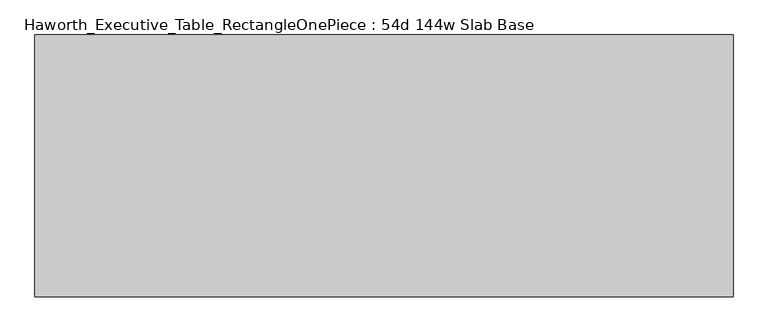
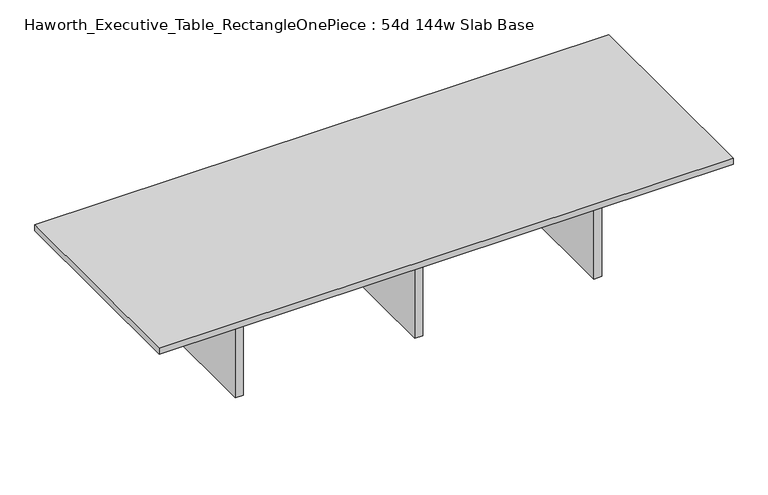
"""IFC4 building model written with IfcOpenShell, lengths in millimetres: furniture geometry, Haworth_Executive_Table_RectangleOnePiece : 54d 144w Slab Base."""

from ifc_helpers import new_model, si_unit, frame, origin, origin_with_axes, place, context, project, spatial, polyline, outline, extrude, source, transform, mapped, element, save


def haworth_executive_table_rectangleonepiece_54d_144w_slab_base_3b5f1c4d(model_context):
    return source(origin(), model_context, "Body", "SweptSolid", [
        extrude(outline(polyline([(1117.6, -242.1549408), (-1117.6, -242.1549408), (-1117.6, -223.1049408), (1117.6, -223.1049408), (1117.6, -242.1549408)])), frame((0.0, 0.0, 558.8), z_axis=(0.0, 0.0, 1.0), x_axis=(1.0, 0.0, 0.0)), (0.0, 0.0, 1.0), 152.4),
        extrude(outline(polyline([(25.4, 376.9700592), (25.4, -385.0299408), (-25.4, -385.0299408), (-25.4, 376.9700592), (25.4, 376.9700592)])), origin_with_axes(), (0.0, 0.0, 1.0), 711.2),
        extrude(outline(polyline([(1117.6, 376.9700592), (1168.4, 376.9700592), (1168.4, -385.0299408), (1117.6, -385.0299408), (1117.6, 376.9700592)])), origin_with_axes(), (0.0, 0.0, 1.0), 711.2),
        extrude(outline(polyline([(-1117.6, 376.9700592), (-1117.6, -385.0299408), (-1168.4, -385.0299408), (-1168.4, 376.9700592), (-1117.6, 376.9700592)])), origin_with_axes(), (0.0, 0.0, 1.0), 711.2),
        extrude(outline(polyline([(1117.6, 234.0950592), (1117.6, 215.0450592), (-1117.6, 215.0450592), (-1117.6, 234.0950592), (1117.6, 234.0950592)])), frame((0.0, 0.0, 558.8), z_axis=(0.0, 0.0, 1.0), x_axis=(1.0, 0.0, 0.0)), (0.0, 0.0, 1.0), 152.4),
        extrude(outline(polyline([(1828.8, 681.7700592), (1828.8, -689.8299408), (-1828.8, -689.8299408), (-1828.8, 681.7700592), (1828.8, 681.7700592)])), frame((0.0, 0.0, 711.2), z_axis=(0.0, 0.0, 1.0), x_axis=(1.0, 0.0, 0.0)), (0.0, 0.0, 1.0), 38.1),
    ])


if __name__ == "__main__":
    model = new_model("IFC4")
    model_context = context("Model", 3, world=origin())
    ifc_project = project(units=[si_unit("LENGTHUNIT", "METRE", prefix="MILLI")], contexts=[model_context])
    site = spatial("IfcSite", under=ifc_project)
    building = spatial("IfcBuilding", under=site)
    placement = place(None, origin())
    haworth_executive_table_rectangleonepiece_54d_144w_slab_base_shape = haworth_executive_table_rectangleonepiece_54d_144w_slab_base_3b5f1c4d(model_context)
    element("IfcFurniture", 1, ObjectType="Haworth_Executive_Table_RectangleOnePiece : 54d 144w Slab Base", at=placement, inside=building, context=model_context, shape_type="MappedRepresentation", body=[
        mapped(haworth_executive_table_rectangleonepiece_54d_144w_slab_base_shape, transform((0.0, 0.0, 0.0), x_axis=(1.0, 0.0, 0.0), y_axis=(0.0, 1.0, 0.0), z_axis=(0.0, 0.0, 1.0))),
    ])
    save(model, "model.ifc")
